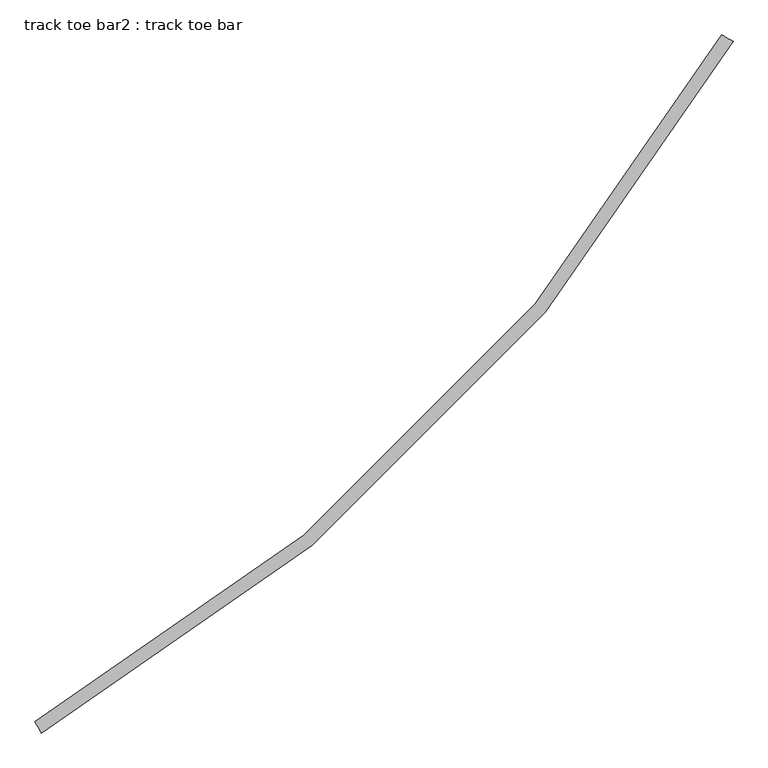
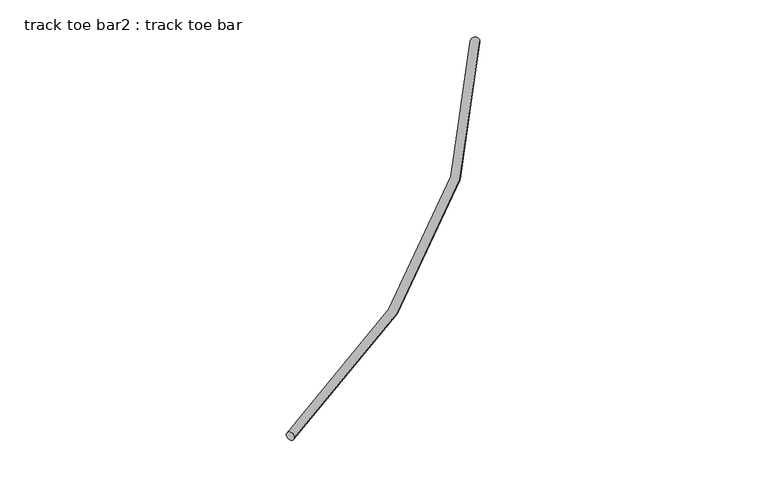
"""IFC4 building model written with IfcOpenShell, lengths in millimetres: proxy geometry, track toe bar2 : track toe bar."""

from ifc_helpers import new_model, si_unit, point, frame, origin, place, context, project, spatial, circle_curve, ellipse_curve, trimmed, source, transform, mapped, element, save
from ifc_brep_helpers import plane_surface, revolved_surface, advanced_brep


def track_toe_bar2_track_toe_bar_52f615d6(model_context):
    return source(origin(), model_context, "Body", "AdvancedBrep", [
        advanced_brep(
        [(572531.1977689, -280776.2731388, 4855.8150744), (572464.9385812, -280738.6412367, 4855.8150744), (568528.1490102, -284779.3218975, 4855.8150744), (568490.5171081, -284713.0627099, 4855.8150744)],
        [
            (0, 1, circle_curve(frame((572498.0681751, -280757.4571878, 4855.8150744), z_axis=(0.493856982949602, 0.8695431446408605, 0.0), x_axis=(-0.8695431446408605, 0.493856982949602, 0.0)), 38.1)),
            (1, 0, circle_curve(frame((572498.0681751, -280757.4571878, 4855.8150744), z_axis=(0.493856982949602, 0.8695431446408605, 0.0), x_axis=(-0.8695431446408605, 0.493856982949602, 0.0)), 38.1)),
            (2, 3, circle_curve(frame((568509.3330591, -284746.1923037, 4855.8150744), z_axis=(-0.8695431446408337, -0.49385698294964936, 0.0), x_axis=(-0.49385698294964936, 0.8695431446408337, 0.0)), 38.1)),
            (3, 2, circle_curve(frame((568509.3330591, -284746.1923037, 4855.8150744), z_axis=(-0.8695431446408337, -0.49385698294964936, 0.0), x_axis=(-0.49385698294964936, 0.8695431446408337, 0.0)), 38.1)),
            (2, 0, circle_curve(frame((563265.9546997, -275514.0788284, 4855.8150744), z_axis=(0.0, 0.0, 1.0), x_axis=(0.8695431446408605, -0.493856982949602, 0.0)), 10655.3)),
            (1, 3, circle_curve(frame((563265.9546997, -275514.0788284, 4855.8150744), z_axis=(0.0, 0.0, -1.0), x_axis=(0.8695431446408605, -0.493856982949602, 0.0)), 10579.1)),
        ],
        [
            plane_surface(frame((572498.0681751, -280757.4571878, 4927.6), z_axis=(0.49385698294960206, 0.8695431446408606, 0.0), x_axis=(0.0, 0.0, 1.0))),
            plane_surface(frame((568509.3330591, -284746.1923037, 4927.6), z_axis=(-0.8695431446408337, -0.4938569829496494, 0.0), x_axis=(0.0, 0.0, 1.0))),
            revolved_surface(trimmed(ellipse_curve(frame((572498.0681751, -280757.4571878, 4855.8150744), z_axis=(0.493856982949602, 0.8695431446408605, 0.0), x_axis=(-0.8695431446408605, 0.493856982949602, 0.0)), 38.1, 38.1), [point((572464.9385812, -280738.6412367, 4855.8150744))], [point((572531.1977689, -280776.2731388, 4855.8150744))], True, "CARTESIAN"), (563265.9546997, -275514.0788284, 4927.6), (0.0, 0.0, -1.0)),
            revolved_surface(trimmed(ellipse_curve(frame((572498.0681751, -280757.4571878, 4855.8150744), z_axis=(0.493856982949602, 0.8695431446408605, 0.0), x_axis=(-0.8695431446408605, 0.493856982949602, 0.0)), 38.1, 38.1), [point((572531.1977689, -280776.2731388, 4855.8150744))], [point((572464.9385812, -280738.6412367, 4855.8150744))], True, "CARTESIAN"), (563265.9546997, -275514.0788284, 4927.6), (0.0, 0.0, -1.0)),
        ],
        [
            (0, [[1, 2]]),
            (1, [[3, 4]]),
            (2, [[5, -2, 6, -3]]),
            (3, [[-6, -1, -5, -4]]),
        ],
    ),
    ])


if __name__ == "__main__":
    model = new_model("IFC4")
    model_context = context("Model", 3, world=origin())
    ifc_project = project(units=[si_unit("LENGTHUNIT", "METRE", prefix="MILLI")], contexts=[model_context])
    site = spatial("IfcSite", under=ifc_project)
    building = spatial("IfcBuilding", under=site)
    placement = place(None, origin())
    track_toe_bar2_track_toe_bar_shape = track_toe_bar2_track_toe_bar_52f615d6(model_context)
    element("IfcBuildingElementProxy", 1, Name="track toe bar2 : track toe bar", ObjectType="track toe bar2 : track toe bar", at=placement, inside=building, context=model_context, shape_type="MappedRepresentation", body=[
        mapped(track_toe_bar2_track_toe_bar_shape, transform((0.0, 0.0, 0.0), x_axis=(1.0, 0.0, 0.0), y_axis=(0.0, 1.0, 0.0), z_axis=(0.0, 0.0, 1.0))),
    ])
    save(model, "model.ifc")
